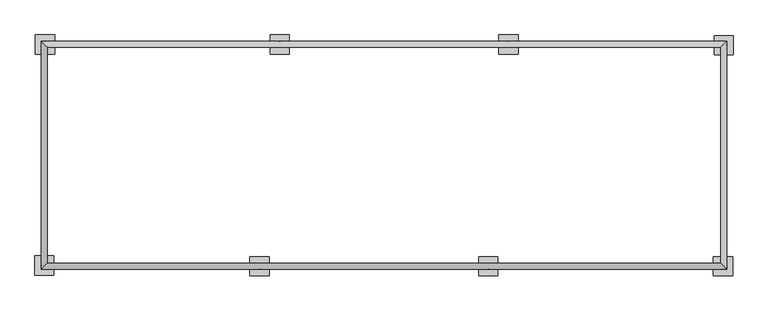
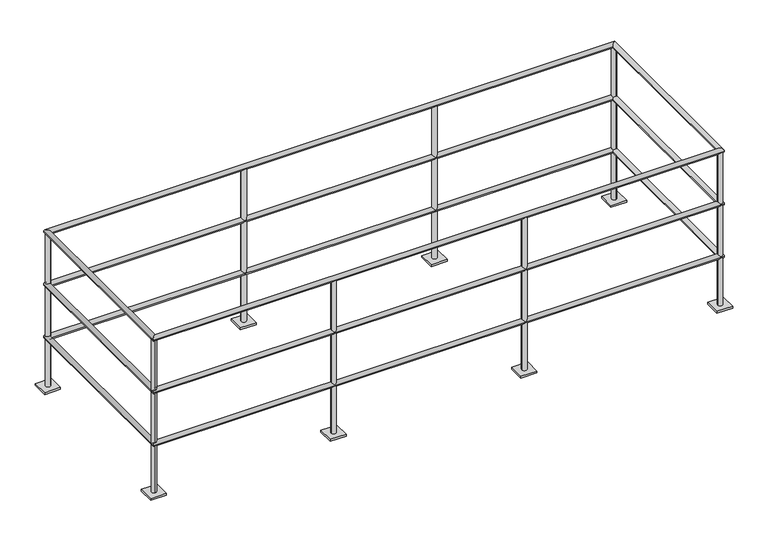
"""IFC4 building model written with IfcOpenShell, lengths in millimetres: railing geometry."""

from ifc_helpers import new_model, si_unit, point, frame, frame_2d, origin, origin_with_axes, place, context, project, spatial, polyline, circle_curve, ellipse_curve, trimmed, segment, composite_curve, outline, extrude, source, transform, mapped, element, save
from ifc_brep_helpers import cylinder_surface, advanced_brep


def railing_101c60fa(model_context):
    return source(origin(), model_context, "Body", "SolidModel", [
        advanced_brep(
        [(-9675.5458618, -10591.2102856, 1050.925), (-9707.2958618, -10622.9602856, 1050.925), (-6056.0458618, -10622.9602856, 1050.925), (-6087.7958618, -10591.2102856, 1050.925), (-6056.0458618, -9410.1102856, 1050.925), (-6087.7958618, -9441.8602856, 1050.925), (-9707.2958618, -9410.1102856, 1050.925), (-9675.5458618, -9441.8602856, 1050.925)],
        [
            (0, 1, ellipse_curve(frame((-9691.4208618, -10607.0852856, 1050.925), z_axis=(0.7071067811865465, -0.7071067811865487, 0.0), x_axis=(-0.7071067811865485, -0.7071067811865466, 0.0)), 22.4506403, 15.875)),
            (1, 2),
            (2, 3, ellipse_curve(frame((-6071.9208618, -10607.0852856, 1050.925), z_axis=(-0.7071067811865486, -0.7071067811865464, 0.0), x_axis=(-0.7071067811865466, 0.7071067811865485, 0.0)), 22.4506403, 15.875)),
            (3, 0),
            (1, 0, ellipse_curve(frame((-9691.4208618, -10607.0852856, 1050.925), z_axis=(0.7071067811865465, -0.7071067811865487, 0.0), x_axis=(-0.7071067811865485, -0.7071067811865466, 0.0)), 22.4506403, 15.875)),
            (3, 2, ellipse_curve(frame((-6071.9208618, -10607.0852856, 1050.925), z_axis=(-0.7071067811865486, -0.7071067811865464, 0.0), x_axis=(-0.7071067811865466, 0.7071067811865485, 0.0)), 22.4506403, 15.875)),
            (2, 4),
            (4, 5, ellipse_curve(frame((-6071.9208618, -9425.9852856, 1050.925), z_axis=(0.7071067811865475, -0.7071067811865475, 0.0), x_axis=(-0.7071067811865474, -0.7071067811865476, 0.0)), 22.4506403, 15.875)),
            (5, 3),
            (5, 4, ellipse_curve(frame((-6071.9208618, -9425.9852856, 1050.925), z_axis=(0.7071067811865475, -0.7071067811865475, 0.0), x_axis=(-0.7071067811865474, -0.7071067811865476, 0.0)), 22.4506403, 15.875)),
            (4, 6),
            (6, 7, ellipse_curve(frame((-9691.4208618, -9425.9852856, 1050.925), z_axis=(0.7071067811865475, 0.7071067811865475, 0.0), x_axis=(0.7071067811865476, -0.7071067811865474, 0.0)), 22.4506403, 15.875)),
            (7, 5),
            (7, 6, ellipse_curve(frame((-9691.4208618, -9425.9852856, 1050.925), z_axis=(0.7071067811865475, 0.7071067811865475, 0.0), x_axis=(0.7071067811865476, -0.7071067811865474, 0.0)), 22.4506403, 15.875)),
            (6, 1),
            (0, 7),
        ],
        [
            cylinder_surface(frame((-9691.4208618, -10607.0852856, 1050.925), z_axis=(-1.0, 0.0, 0.0), x_axis=(0.0, 1.0, 0.0)), 15.875),
            cylinder_surface(frame((-6071.9208618, -10607.0852856, 1050.925), z_axis=(0.0, -1.0, 0.0), x_axis=(-1.0, 0.0, 0.0)), 15.875),
            cylinder_surface(frame((-6071.9208618, -9425.9852856, 1050.925), z_axis=(1.0, 0.0, 0.0), x_axis=(0.0, -1.0, 0.0)), 15.875),
            cylinder_surface(frame((-9691.4208618, -9425.9852856, 1050.925), z_axis=(0.0, 1.0, 0.0), x_axis=(1.0, 0.0, 0.0)), 15.875),
        ],
        [
            (0, [[1, 2, 3, 4]]),
            (0, [[5, -4, 6, -2]]),
            (1, [[-3, 7, 8, 9]]),
            (1, [[-6, -9, 10, -7]]),
            (2, [[-8, 11, 12, 13]]),
            (2, [[-10, -13, 14, -11]]),
            (3, [[-12, 15, -1, 16]]),
            (3, [[-14, -16, -5, -15]]),
        ],
    ),
        advanced_brep(
        [(-6087.7958618, -10591.2102856, 695.325), (-6056.0458618, -10622.9602856, 695.325), (-6056.0458618, -9410.1102856, 695.325), (-6087.7958618, -9441.8602856, 695.325), (-9707.2958618, -9410.1102856, 695.325), (-9675.5458618, -9441.8602856, 695.325), (-9707.2958618, -10622.9602856, 695.325), (-9675.5458618, -10591.2102856, 695.325)],
        [
            (0, 1, ellipse_curve(frame((-6071.9208618, -10607.0852856, 695.325), z_axis=(0.7071067811865486, 0.7071067811865464, 0.0), x_axis=(0.7071067811865464, -0.7071067811865488, 0.0)), 22.4506403, 15.875)),
            (1, 2),
            (2, 3, ellipse_curve(frame((-6071.9208618, -9425.9852856, 695.325), z_axis=(0.7071067811865475, -0.7071067811865475, 0.0), x_axis=(-0.7071067811865474, -0.7071067811865476, 0.0)), 22.4506403, 15.875)),
            (3, 0),
            (1, 0, ellipse_curve(frame((-6071.9208618, -10607.0852856, 695.325), z_axis=(0.7071067811865486, 0.7071067811865464, 0.0), x_axis=(0.7071067811865464, -0.7071067811865488, 0.0)), 22.4506403, 15.875)),
            (3, 2, ellipse_curve(frame((-6071.9208618, -9425.9852856, 695.325), z_axis=(0.7071067811865475, -0.7071067811865475, 0.0), x_axis=(-0.7071067811865474, -0.7071067811865476, 0.0)), 22.4506403, 15.875)),
            (2, 4),
            (4, 5, ellipse_curve(frame((-9691.4208618, -9425.9852856, 695.325), z_axis=(0.7071067811865475, 0.7071067811865475, 0.0), x_axis=(0.7071067811865476, -0.7071067811865474, 0.0)), 22.4506403, 15.875)),
            (5, 3),
            (5, 4, ellipse_curve(frame((-9691.4208618, -9425.9852856, 695.325), z_axis=(0.7071067811865475, 0.7071067811865475, 0.0), x_axis=(0.7071067811865476, -0.7071067811865474, 0.0)), 22.4506403, 15.875)),
            (4, 6),
            (6, 7, ellipse_curve(frame((-9691.4208618, -10607.0852856, 695.325), z_axis=(-0.7071067811865465, 0.7071067811865487, 0.0), x_axis=(0.7071067811865487, 0.7071067811865462, 0.0)), 22.4506403, 15.875)),
            (7, 5),
            (7, 6, ellipse_curve(frame((-9691.4208618, -10607.0852856, 695.325), z_axis=(-0.7071067811865465, 0.7071067811865487, 0.0), x_axis=(0.7071067811865487, 0.7071067811865462, 0.0)), 22.4506403, 15.875)),
            (6, 1),
            (0, 7),
        ],
        [
            cylinder_surface(frame((-6071.9208618, -10607.0852856, 695.325), z_axis=(0.0, -1.0, 0.0), x_axis=(-1.0, 0.0, 0.0)), 15.875),
            cylinder_surface(frame((-6071.9208618, -9425.9852856, 695.325), z_axis=(1.0, 0.0, 0.0), x_axis=(0.0, -1.0, 0.0)), 15.875),
            cylinder_surface(frame((-9691.4208618, -9425.9852856, 695.325), z_axis=(0.0, 1.0, 0.0), x_axis=(1.0, 0.0, 0.0)), 15.875),
            cylinder_surface(frame((-9691.4208618, -10607.0852856, 695.325), z_axis=(-1.0, 0.0, 0.0), x_axis=(0.0, 1.0, 0.0)), 15.875),
        ],
        [
            (0, [[1, 2, 3, 4]]),
            (0, [[5, -4, 6, -2]]),
            (1, [[-3, 7, 8, 9]]),
            (1, [[-6, -9, 10, -7]]),
            (2, [[-8, 11, 12, 13]]),
            (2, [[-10, -13, 14, -11]]),
            (3, [[-12, 15, -1, 16]]),
            (3, [[-14, -16, -5, -15]]),
        ],
    ),
        advanced_brep(
        [(-6087.7958618, -10591.2102856, 339.725), (-6056.0458618, -10622.9602856, 339.725), (-6056.0458618, -9410.1102856, 339.725), (-6087.7958618, -9441.8602856, 339.725), (-9707.2958618, -9410.1102856, 339.725), (-9675.5458618, -9441.8602856, 339.725), (-9707.2958618, -10622.9602856, 339.725), (-9675.5458618, -10591.2102856, 339.725)],
        [
            (0, 1, ellipse_curve(frame((-6071.9208618, -10607.0852856, 339.725), z_axis=(0.7071067811865486, 0.7071067811865464, 0.0), x_axis=(0.7071067811865464, -0.7071067811865488, 0.0)), 22.4506403, 15.875)),
            (1, 2),
            (2, 3, ellipse_curve(frame((-6071.9208618, -9425.9852856, 339.725), z_axis=(0.7071067811865475, -0.7071067811865475, 0.0), x_axis=(-0.7071067811865474, -0.7071067811865476, 0.0)), 22.4506403, 15.875)),
            (3, 0),
            (1, 0, ellipse_curve(frame((-6071.9208618, -10607.0852856, 339.725), z_axis=(0.7071067811865486, 0.7071067811865464, 0.0), x_axis=(0.7071067811865464, -0.7071067811865488, 0.0)), 22.4506403, 15.875)),
            (3, 2, ellipse_curve(frame((-6071.9208618, -9425.9852856, 339.725), z_axis=(0.7071067811865475, -0.7071067811865475, 0.0), x_axis=(-0.7071067811865474, -0.7071067811865476, 0.0)), 22.4506403, 15.875)),
            (2, 4),
            (4, 5, ellipse_curve(frame((-9691.4208618, -9425.9852856, 339.725), z_axis=(0.7071067811865475, 0.7071067811865475, 0.0), x_axis=(0.7071067811865476, -0.7071067811865474, 0.0)), 22.4506403, 15.875)),
            (5, 3),
            (5, 4, ellipse_curve(frame((-9691.4208618, -9425.9852856, 339.725), z_axis=(0.7071067811865475, 0.7071067811865475, 0.0), x_axis=(0.7071067811865476, -0.7071067811865474, 0.0)), 22.4506403, 15.875)),
            (4, 6),
            (6, 7, ellipse_curve(frame((-9691.4208618, -10607.0852856, 339.725), z_axis=(-0.7071067811865465, 0.7071067811865487, 0.0), x_axis=(0.7071067811865487, 0.7071067811865462, 0.0)), 22.4506403, 15.875)),
            (7, 5),
            (7, 6, ellipse_curve(frame((-9691.4208618, -10607.0852856, 339.725), z_axis=(-0.7071067811865465, 0.7071067811865487, 0.0), x_axis=(0.7071067811865487, 0.7071067811865462, 0.0)), 22.4506403, 15.875)),
            (6, 1),
            (0, 7),
        ],
        [
            cylinder_surface(frame((-6071.9208618, -10607.0852856, 339.725), z_axis=(0.0, -1.0, 0.0), x_axis=(-1.0, 0.0, 0.0)), 15.875),
            cylinder_surface(frame((-6071.9208618, -9425.9852856, 339.725), z_axis=(1.0, 0.0, 0.0), x_axis=(0.0, -1.0, 0.0)), 15.875),
            cylinder_surface(frame((-9691.4208618, -9425.9852856, 339.725), z_axis=(0.0, 1.0, 0.0), x_axis=(1.0, 0.0, 0.0)), 15.875),
            cylinder_surface(frame((-9691.4208618, -10607.0852856, 339.725), z_axis=(-1.0, 0.0, 0.0), x_axis=(0.0, 1.0, 0.0)), 15.875),
        ],
        [
            (0, [[1, 2, 3, 4]]),
            (0, [[5, -4, 6, -2]]),
            (1, [[-3, 7, 8, 9]]),
            (1, [[-6, -9, 10, -7]]),
            (2, [[-8, 11, 12, 13]]),
            (2, [[-10, -13, 14, -11]]),
            (3, [[-12, 15, -1, 16]]),
            (3, [[-14, -16, -5, -15]]),
        ],
    ),
        extrude(outline(composite_curve([segment(trimmed(circle_curve(frame_2d((-7326.0105971, -10607.0852856)), 15.875), [point((-7341.8855971, -10607.0852856))], [point((-7310.1355971, -10607.0852856))], False, "CARTESIAN"), True, "CONTINUOUS"), segment(trimmed(circle_curve(frame_2d((-7326.0105971, -10607.0852856)), 15.875), [point((-7310.1355971, -10607.0852856))], [point((-7341.8855971, -10607.0852856))], False, "CARTESIAN"), True, "CONTINUOUS")], self_intersect=False), holes=[composite_curve([segment(trimmed(circle_curve(frame_2d((-7326.0105971, -10607.0852856)), 14.2875), [point((-7340.2980971, -10607.0852856))], [point((-7311.7230971, -10607.0852856))], True, "CARTESIAN"), True, "CONTINUOUS"), segment(trimmed(circle_curve(frame_2d((-7326.0105971, -10607.0852856)), 14.2875), [point((-7311.7230971, -10607.0852856))], [point((-7340.2980971, -10607.0852856))], True, "CARTESIAN"), True, "CONTINUOUS")], self_intersect=False)]), frame((0.0, 0.0, 12.7), z_axis=(0.0, 0.0, 1.0), x_axis=(1.0, 0.0, 0.0)), (0.0, 0.0, 1.0), 1035.05),
        extrude(outline(polyline([(-7275.2105971, -10556.2852856), (-7275.2105971, -10657.8852856), (-7376.8105971, -10657.8852856), (-7376.8105971, -10556.2852856), (-7275.2105971, -10556.2852856)])), origin_with_axes(), (0.0, 0.0, 1.0), 12.7),
        extrude(outline(composite_curve([segment(trimmed(circle_curve(frame_2d((-8545.2105971, -10607.0852856)), 15.875), [point((-8561.0855971, -10607.0852856))], [point((-8529.3355971, -10607.0852856))], False, "CARTESIAN"), True, "CONTINUOUS"), segment(trimmed(circle_curve(frame_2d((-8545.2105971, -10607.0852856)), 15.875), [point((-8529.3355971, -10607.0852856))], [point((-8561.0855971, -10607.0852856))], False, "CARTESIAN"), True, "CONTINUOUS")], self_intersect=False), holes=[composite_curve([segment(trimmed(circle_curve(frame_2d((-8545.2105971, -10607.0852856)), 14.2875), [point((-8559.4980971, -10607.0852856))], [point((-8530.9230971, -10607.0852856))], True, "CARTESIAN"), True, "CONTINUOUS"), segment(trimmed(circle_curve(frame_2d((-8545.2105971, -10607.0852856)), 14.2875), [point((-8530.9230971, -10607.0852856))], [point((-8559.4980971, -10607.0852856))], True, "CARTESIAN"), True, "CONTINUOUS")], self_intersect=False)]), frame((0.0, 0.0, 12.7), z_axis=(0.0, 0.0, 1.0), x_axis=(1.0, 0.0, 0.0)), (0.0, 0.0, 1.0), 1035.05),
        extrude(outline(polyline([(-8494.4105971, -10556.2852856), (-8494.4105971, -10657.8852856), (-8596.0105971, -10657.8852856), (-8596.0105971, -10556.2852856), (-8494.4105971, -10556.2852856)])), origin_with_axes(), (0.0, 0.0, 1.0), 12.7),
        extrude(outline(composite_curve([segment(trimmed(circle_curve(frame_2d((-8437.3311266, -9425.9852856)), 15.875), [point((-8421.4561266, -9425.9852856))], [point((-8453.2061266, -9425.9852856))], False, "CARTESIAN"), True, "CONTINUOUS"), segment(trimmed(circle_curve(frame_2d((-8437.3311266, -9425.9852856)), 15.875), [point((-8453.2061266, -9425.9852856))], [point((-8421.4561266, -9425.9852856))], False, "CARTESIAN"), True, "CONTINUOUS")], self_intersect=False), holes=[composite_curve([segment(trimmed(circle_curve(frame_2d((-8437.3311266, -9425.9852856)), 14.2875), [point((-8423.0436266, -9425.9852856))], [point((-8451.6186266, -9425.9852856))], True, "CARTESIAN"), True, "CONTINUOUS"), segment(trimmed(circle_curve(frame_2d((-8437.3311266, -9425.9852856)), 14.2875), [point((-8451.6186266, -9425.9852856))], [point((-8423.0436266, -9425.9852856))], True, "CARTESIAN"), True, "CONTINUOUS")], self_intersect=False)]), frame((0.0, 0.0, 12.7), z_axis=(0.0, 0.0, 1.0), x_axis=(1.0, 0.0, 0.0)), (0.0, 0.0, 1.0), 1035.05),
        extrude(outline(polyline([(-8488.1311266, -9476.7852856), (-8488.1311266, -9375.1852856), (-8386.5311266, -9375.1852856), (-8386.5311266, -9476.7852856), (-8488.1311266, -9476.7852856)])), origin_with_axes(), (0.0, 0.0, 1.0), 12.7),
        extrude(outline(composite_curve([segment(trimmed(circle_curve(frame_2d((-7218.1311266, -9425.9852856)), 15.875), [point((-7202.2561266, -9425.9852856))], [point((-7234.0061266, -9425.9852856))], False, "CARTESIAN"), True, "CONTINUOUS"), segment(trimmed(circle_curve(frame_2d((-7218.1311266, -9425.9852856)), 15.875), [point((-7234.0061266, -9425.9852856))], [point((-7202.2561266, -9425.9852856))], False, "CARTESIAN"), True, "CONTINUOUS")], self_intersect=False), holes=[composite_curve([segment(trimmed(circle_curve(frame_2d((-7218.1311266, -9425.9852856)), 14.2875), [point((-7203.8436266, -9425.9852856))], [point((-7232.4186266, -9425.9852856))], True, "CARTESIAN"), True, "CONTINUOUS"), segment(trimmed(circle_curve(frame_2d((-7218.1311266, -9425.9852856)), 14.2875), [point((-7232.4186266, -9425.9852856))], [point((-7203.8436266, -9425.9852856))], True, "CARTESIAN"), True, "CONTINUOUS")], self_intersect=False)]), frame((0.0, 0.0, 12.7), z_axis=(0.0, 0.0, 1.0), x_axis=(1.0, 0.0, 0.0)), (0.0, 0.0, 1.0), 1035.05),
        extrude(outline(polyline([(-7268.9311266, -9476.7852856), (-7268.9311266, -9375.1852856), (-7167.3311266, -9375.1852856), (-7167.3311266, -9476.7852856), (-7268.9311266, -9476.7852856)])), origin_with_axes(), (0.0, 0.0, 1.0), 12.7),
        extrude(outline(composite_curve([segment(trimmed(circle_curve(frame_2d((-6075.0605971, -10607.0852856)), 15.875), [point((-6090.9355971, -10607.0852856))], [point((-6059.1855971, -10607.0852856))], False, "CARTESIAN"), True, "CONTINUOUS"), segment(trimmed(circle_curve(frame_2d((-6075.0605971, -10607.0852856)), 15.875), [point((-6059.1855971, -10607.0852856))], [point((-6090.9355971, -10607.0852856))], False, "CARTESIAN"), True, "CONTINUOUS")], self_intersect=False), holes=[composite_curve([segment(trimmed(circle_curve(frame_2d((-6075.0605971, -10607.0852856)), 14.2875), [point((-6089.3480971, -10607.0852856))], [point((-6060.7730971, -10607.0852856))], True, "CARTESIAN"), True, "CONTINUOUS"), segment(trimmed(circle_curve(frame_2d((-6075.0605971, -10607.0852856)), 14.2875), [point((-6060.7730971, -10607.0852856))], [point((-6089.3480971, -10607.0852856))], True, "CARTESIAN"), True, "CONTINUOUS")], self_intersect=False)]), frame((0.0, 0.0, 12.7), z_axis=(0.0, 0.0, 1.0), x_axis=(1.0, 0.0, 0.0)), (0.0, 0.0, 1.0), 1035.05),
        extrude(outline(polyline([(-6024.2605971, -10556.2852856), (-6024.2605971, -10657.8852856), (-6125.8605971, -10657.8852856), (-6125.8605971, -10556.2852856), (-6024.2605971, -10556.2852856)])), origin_with_axes(), (0.0, 0.0, 1.0), 12.7),
        extrude(outline(composite_curve([segment(trimmed(circle_curve(frame_2d((-9691.4208618, -10603.9455503)), 15.875), [point((-9691.4208618, -10588.0705503))], [point((-9691.4208618, -10619.8205503))], False, "CARTESIAN"), True, "CONTINUOUS"), segment(trimmed(circle_curve(frame_2d((-9691.4208618, -10603.9455503)), 15.875), [point((-9691.4208618, -10619.8205503))], [point((-9691.4208618, -10588.0705503))], False, "CARTESIAN"), True, "CONTINUOUS")], self_intersect=False), holes=[composite_curve([segment(trimmed(circle_curve(frame_2d((-9691.4208618, -10603.9455503)), 14.2875), [point((-9691.4208618, -10589.6580503))], [point((-9691.4208618, -10618.2330503))], True, "CARTESIAN"), True, "CONTINUOUS"), segment(trimmed(circle_curve(frame_2d((-9691.4208618, -10603.9455503)), 14.2875), [point((-9691.4208618, -10618.2330503))], [point((-9691.4208618, -10589.6580503))], True, "CARTESIAN"), True, "CONTINUOUS")], self_intersect=False)]), frame((0.0, 0.0, 12.7), z_axis=(0.0, 0.0, 1.0), x_axis=(1.0, 0.0, 0.0)), (0.0, 0.0, 1.0), 1035.05),
        extrude(outline(polyline([(-9640.6208618, -10654.7455503), (-9742.2208618, -10654.7455503), (-9742.2208618, -10553.1455503), (-9640.6208618, -10553.1455503), (-9640.6208618, -10654.7455503)])), origin_with_axes(), (0.0, 0.0, 1.0), 12.7),
        extrude(outline(composite_curve([segment(trimmed(circle_curve(frame_2d((-9688.2811266, -9425.9852856)), 15.875), [point((-9672.4061266, -9425.9852856))], [point((-9704.1561266, -9425.9852856))], False, "CARTESIAN"), True, "CONTINUOUS"), segment(trimmed(circle_curve(frame_2d((-9688.2811266, -9425.9852856)), 15.875), [point((-9704.1561266, -9425.9852856))], [point((-9672.4061266, -9425.9852856))], False, "CARTESIAN"), True, "CONTINUOUS")], self_intersect=False), holes=[composite_curve([segment(trimmed(circle_curve(frame_2d((-9688.2811266, -9425.9852856)), 14.2875), [point((-9673.9936266, -9425.9852856))], [point((-9702.5686266, -9425.9852856))], True, "CARTESIAN"), True, "CONTINUOUS"), segment(trimmed(circle_curve(frame_2d((-9688.2811266, -9425.9852856)), 14.2875), [point((-9702.5686266, -9425.9852856))], [point((-9673.9936266, -9425.9852856))], True, "CARTESIAN"), True, "CONTINUOUS")], self_intersect=False)]), frame((0.0, 0.0, 12.7), z_axis=(0.0, 0.0, 1.0), x_axis=(1.0, 0.0, 0.0)), (0.0, 0.0, 1.0), 1035.05),
        extrude(outline(polyline([(-9739.0811266, -9476.7852856), (-9739.0811266, -9375.1852856), (-9637.4811266, -9375.1852856), (-9637.4811266, -9476.7852856), (-9739.0811266, -9476.7852856)])), origin_with_axes(), (0.0, 0.0, 1.0), 12.7),
        extrude(outline(composite_curve([segment(trimmed(circle_curve(frame_2d((-6071.9208618, -9429.1250209)), 15.875), [point((-6071.9208618, -9445.0000209))], [point((-6071.9208618, -9413.2500209))], False, "CARTESIAN"), True, "CONTINUOUS"), segment(trimmed(circle_curve(frame_2d((-6071.9208618, -9429.1250209)), 15.875), [point((-6071.9208618, -9413.2500209))], [point((-6071.9208618, -9445.0000209))], False, "CARTESIAN"), True, "CONTINUOUS")], self_intersect=False), holes=[composite_curve([segment(trimmed(circle_curve(frame_2d((-6071.9208618, -9429.1250209)), 14.2875), [point((-6071.9208618, -9443.4125209))], [point((-6071.9208618, -9414.8375209))], True, "CARTESIAN"), True, "CONTINUOUS"), segment(trimmed(circle_curve(frame_2d((-6071.9208618, -9429.1250209)), 14.2875), [point((-6071.9208618, -9414.8375209))], [point((-6071.9208618, -9443.4125209))], True, "CARTESIAN"), True, "CONTINUOUS")], self_intersect=False)]), frame((0.0, 0.0, 12.7), z_axis=(0.0, 0.0, 1.0), x_axis=(1.0, 0.0, 0.0)), (0.0, 0.0, 1.0), 1035.05),
        extrude(outline(polyline([(-6122.7208618, -9378.3250209), (-6021.1208618, -9378.3250209), (-6021.1208618, -9479.9250209), (-6122.7208618, -9479.9250209), (-6122.7208618, -9378.3250209)])), origin_with_axes(), (0.0, 0.0, 1.0), 12.7),
    ])


if __name__ == "__main__":
    model = new_model("IFC4")
    model_context = context("Model", 3, world=origin())
    ifc_project = project(units=[si_unit("LENGTHUNIT", "METRE", prefix="MILLI")], contexts=[model_context])
    site = spatial("IfcSite", under=ifc_project)
    building = spatial("IfcBuilding", under=site)
    placement = place(None, origin())
    railing_shape = railing_101c60fa(model_context)
    element("IfcRailing", 1, at=placement, inside=building, context=model_context, shape_type="MappedRepresentation", body=[
        mapped(railing_shape, transform((0.0, 0.0, 0.0), x_axis=(1.0, 0.0, 0.0), y_axis=(0.0, 1.0, 0.0), z_axis=(0.0, 0.0, 1.0))),
    ])
    save(model, "model.ifc")
